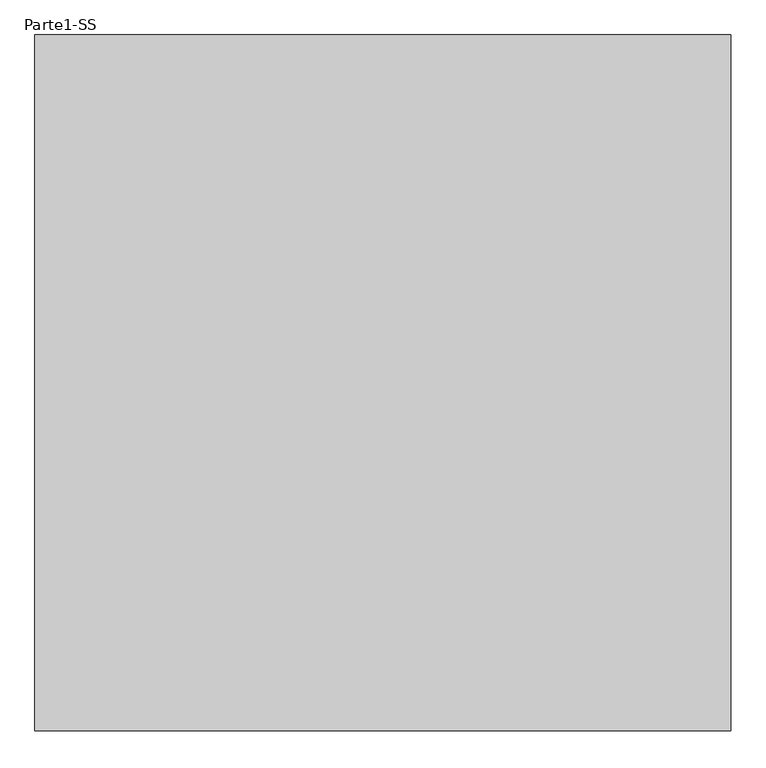
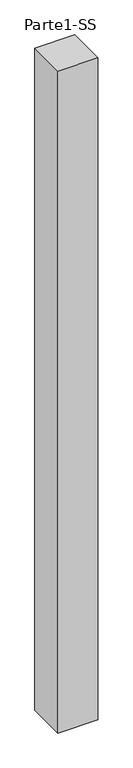
"""IFC4 building model written with IfcOpenShell, lengths in millimetres: proxy geometry, Parte1-SS."""

from ifc_helpers import new_model, si_unit, frame, origin, place, context, project, spatial, polyline, outline, extrude, source, transform, mapped, element, save


def parte1_ss_9c692bf8(model_context):
    return source(origin(), model_context, "Body", "SweptSolid", [
        extrude(outline(polyline([(4000.0, 4000.0), (4000.0, 0.0), (0.0, 0.0), (0.0, 4000.0), (4000.0, 4000.0)])), frame((0.0, 0.0, 5000.0), z_axis=(0.0, 0.0, 1.0), x_axis=(1.0, 0.0, 0.0)), (0.0, 0.0, 1.0), 70000.0),
    ])


if __name__ == "__main__":
    model = new_model("IFC4")
    model_context = context("Model", 3, world=origin())
    ifc_project = project(units=[si_unit("LENGTHUNIT", "METRE", prefix="MILLI")], contexts=[model_context])
    site = spatial("IfcSite", under=ifc_project)
    building = spatial("IfcBuilding", under=site)
    placement = place(None, origin())
    parte1_ss_shape = parte1_ss_9c692bf8(model_context)
    element("IfcBuildingElementProxy", 1, Name="Parte1-SS", ObjectType="Parte1-SS", at=placement, inside=building, context=model_context, shape_type="MappedRepresentation", body=[
        mapped(parte1_ss_shape, transform((0.0, 0.0, 0.0), x_axis=(1.0, 0.0, 0.0), y_axis=(0.0, 1.0, 0.0), z_axis=(0.0, 0.0, 1.0))),
    ])
    save(model, "model.ifc")
